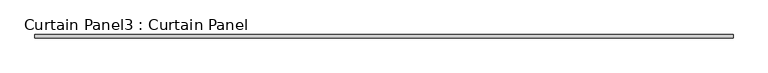
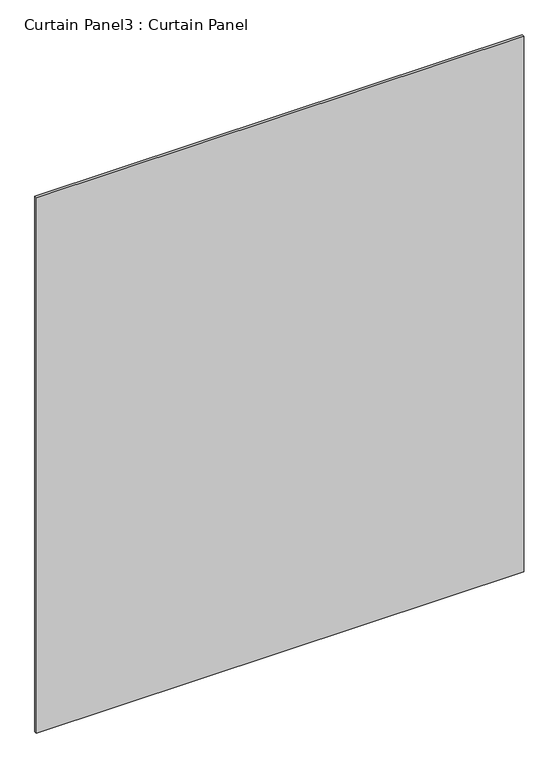
"""IFC4 building model written with IfcOpenShell, lengths in millimetres: plate geometry, Curtain Panel3 : Curtain Panel."""

from ifc_helpers import new_model, si_unit, frame, origin, place, context, project, spatial, polyline, outline, extrude, source, transform, mapped, element, save


def curtain_panel3_curtain_panel_e7e46678(model_context):
    return source(origin(), model_context, "Body", "SweptSolid", [
        extrude(outline(polyline([(-28214.4754508, -2004.2031724), (-29611.4754508, -2004.2031724), (-29611.4754508, -1997.8531724), (-28214.4754508, -1997.8531724), (-28214.4754508, -2004.2031724)])), frame((0.0, 0.0, 2807.9873091), z_axis=(0.0, 0.0, 1.0), x_axis=(1.0, 0.0, 0.0)), (0.0, 0.0, 1.0), 1621.9362817),
    ])


if __name__ == "__main__":
    model = new_model("IFC4")
    model_context = context("Model", 3, world=origin())
    ifc_project = project(units=[si_unit("LENGTHUNIT", "METRE", prefix="MILLI")], contexts=[model_context])
    site = spatial("IfcSite", under=ifc_project)
    building = spatial("IfcBuilding", under=site)
    placement = place(None, origin())
    curtain_panel3_curtain_panel_shape = curtain_panel3_curtain_panel_e7e46678(model_context)
    element("IfcPlate", 1, ObjectType="Curtain Panel3 : Curtain Panel", at=placement, inside=building, context=model_context, shape_type="MappedRepresentation", body=[
        mapped(curtain_panel3_curtain_panel_shape, transform((0.0, 0.0, 0.0), x_axis=(1.0, 0.0, 0.0), y_axis=(0.0, 1.0, 0.0), z_axis=(0.0, 0.0, 1.0))),
    ])
    save(model, "model.ifc")
